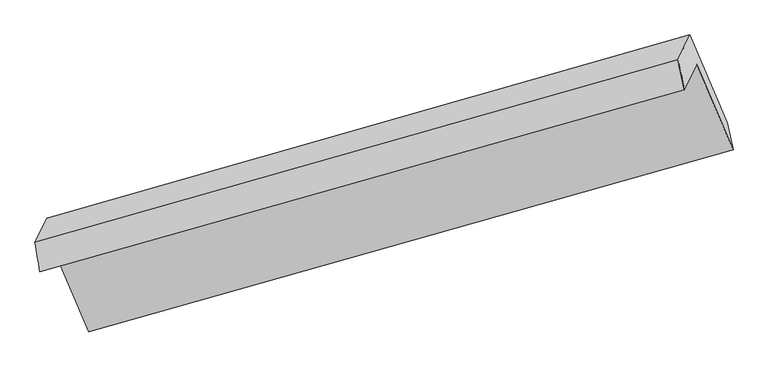
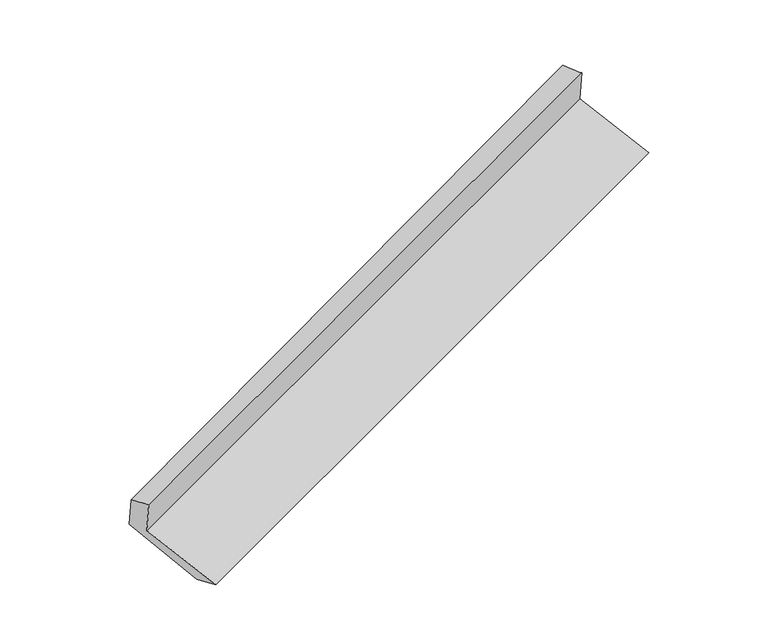
"""IFC4 building model written with IfcOpenShell, lengths in millimetres: proxy geometry."""

from ifc_helpers import new_model, si_unit, frame, origin, place, context, project, spatial, source, transform, mapped, element, save
from ifc_brep_helpers import plane_surface, spline_surface, advanced_brep


def generic_models_bb0b320e(model_context):
    return source(origin(), model_context, "Body", "AdvancedBrep", [
        advanced_brep(
        [(-5152.2933822, -2139.7371028, 1480.4806332), (-5069.4863901, -1968.9312481, 1116.9413097), (-720.9273888, -740.0866186, 2684.8183216), (-803.7343809, -910.8924733, 3048.3576451), (-5186.3952831, -1941.8561993, 1416.8298407), (-848.4257266, -710.906118, 3012.1463435), (-5107.6385364, -1779.4047795, 1071.0719078), (-766.6946181, -542.319487, 2653.3303655), (-4861.4192924, -2337.5819802, 838.1403673), (-515.0605647, -1134.3864069, 2432.4699743), (-4824.3573001, -2545.6927131, 901.7903555), (-475.7982988, -1316.8480835, 2469.6673673)],
        [
            (0, 1),
            (1, 2),
            (2, 3),
            (3, 0),
            (4, 0),
            (3, 5),
            (5, 4),
            (6, 4),
            (5, 7),
            (7, 6),
            (8, 6),
            (7, 9),
            (9, 8),
            (10, 8),
            (9, 11),
            (11, 10),
            (1, 10),
            (11, 2),
        ],
        [
            plane_surface(frame((-5110.8898862, -2054.3341755, 1298.7109715), z_axis=(0.3642581337424151, -0.8720871875298016, -0.3267720143293385), x_axis=(0.20191274149163033, 0.41648509987236576, -0.886437480258839))),
            spline_surface(1, 1, [[(-5186.3952831, -1941.8561993, 1416.8298407), (-848.4257266, -710.906118, 3012.1463435)], [(-5152.2933822, -2139.7371028, 1480.4806332), (-803.7343809, -910.8924733, 3048.3576451)]], [2, 2], [2, 2], [0.0, 1.0], [0.0, 1.0]),
            plane_surface(frame((-5147.0169097, -1860.6304894, 1243.9508743), z_axis=(-0.3670429240627161, 0.871295663330445, 0.3257658038484878), x_axis=(-0.20191274149158972, -0.4164850998723703, 0.8864374802588462))),
            spline_surface(1, 1, [[(-4861.4192924, -2337.5819802, 838.1403673), (-515.0605647, -1134.3864069, 2432.4699743)], [(-5107.6385364, -1779.4047795, 1071.0719078), (-766.6946181, -542.319487, 2653.3303655)]], [2, 2], [2, 2], [0.0, 1.0], [0.0, 1.0]),
            spline_surface(1, 1, [[(-4824.3573001, -2545.6927131, 901.7903555), (-475.7982988, -1316.8480835, 2469.6673673)], [(-4861.4192924, -2337.5819802, 838.1403673), (-515.0605647, -1134.3864069, 2432.4699743)]], [2, 2], [2, 2], [0.0, 1.0], [0.0, 1.0]),
            plane_surface(frame((-4946.9218451, -2257.3119806, 1009.3658326), z_axis=(-0.2019127414915885, -0.4164850998723681, 0.8864374802588475), x_axis=(0.36995318380815007, -0.8704586643220741, -0.3247096479885437))),
            plane_surface(frame((-688.440163, -892.5731979, 2716.7983362), z_axis=(0.9068439152431682, 0.26237735285450503, 0.3298366839748187), x_axis=(-0.369953183808157, 0.8704586643220721, 0.32470964798854124))),
            plane_surface(frame((-5033.598364, -2118.8673372, 1137.5424024), z_axis=(-0.9068439152431527, -0.26237735285451186, -0.329836683974856), x_axis=(-0.20191274149161825, -0.4164850998723831, 0.8864374802588336))),
        ],
        [
            (0, [[1, 2, 3, 4]]),
            (1, [[5, -4, 6, 7]]),
            (2, [[8, -7, 9, 10]]),
            (3, [[11, -10, 12, 13]]),
            (4, [[14, -13, 15, 16]]),
            (5, [[17, -16, 18, -2]]),
            (6, [[-12, -9, -6, -3, -18, -15]]),
            (7, [[-1, -5, -8, -11, -14, -17]]),
        ],
    ),
    ])


if __name__ == "__main__":
    model = new_model("IFC4")
    model_context = context("Model", 3, world=origin())
    ifc_project = project(units=[si_unit("LENGTHUNIT", "METRE", prefix="MILLI")], contexts=[model_context])
    site = spatial("IfcSite", under=ifc_project)
    building = spatial("IfcBuilding", under=site)
    placement = place(None, origin())
    generic_models_shape = generic_models_bb0b320e(model_context)
    element("IfcBuildingElementProxy", 1, Name="Generic Models", at=placement, inside=building, context=model_context, shape_type="MappedRepresentation", body=[
        mapped(generic_models_shape, transform((0.0, 0.0, 0.0), x_axis=(1.0, 0.0, 0.0), y_axis=(0.0, 1.0, 0.0), z_axis=(0.0, 0.0, 1.0))),
    ])
    save(model, "model.ifc")
